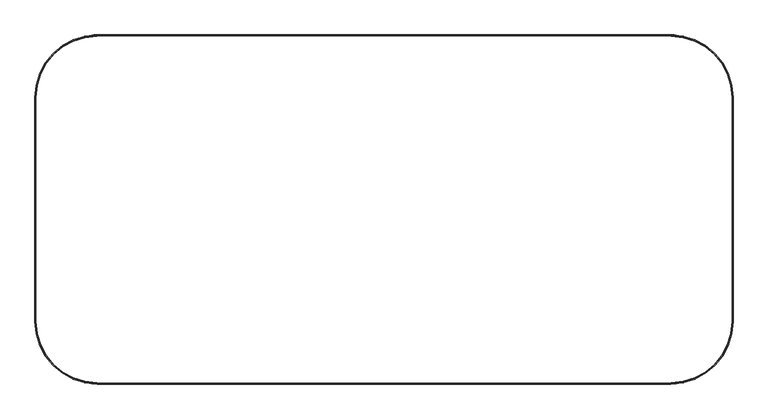
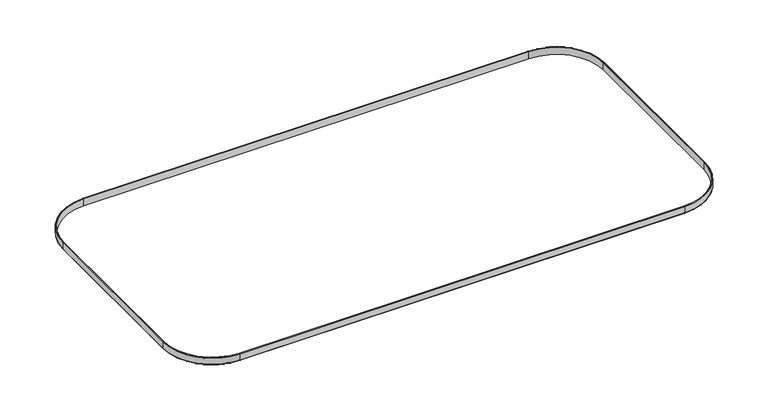
"""IFC4 building model written with IfcOpenShell, lengths in millimetres: furniture geometry."""

from ifc_helpers import new_model, si_unit, point, frame, origin, place, context, project, spatial, polyline, circle_curve, ellipse_curve, trimmed, source, transform, mapped, element, save
from ifc_brep_helpers import plane_surface, cylinder_surface, revolved_surface, advanced_brep


def furniture_3373000e(model_context):
    return source(origin(), model_context, "Body", "AdvancedBrep", [
        advanced_brep(
        [(125.0, -697.0, 721.0), (3.0, -575.0, 721.0), (3.0, -575.0, 740.0), (125.0, -697.0, 740.0), (125.0, -700.0, 722.0), (0.0, -575.0, 722.0), (1.0, -575.0, 721.0), (125.0, -699.0, 721.0), (125.0, -700.0, 739.0), (0.0, -575.0, 739.0), (125.0, -699.0, 740.0), (1.0, -575.0, 740.0), (1275.0, -697.0, 740.0), (1275.0, -697.0, 721.0), (1275.0, -699.0, 721.0), (1275.0, -700.0, 722.0), (1275.0, -700.0, 739.0), (1275.0, -699.0, 740.0), (1397.0, -575.0, 721.0), (1397.0, -575.0, 740.0), (1400.0, -575.0, 722.0), (1399.0, -575.0, 721.0), (1400.0, -575.0, 739.0), (1399.0, -575.0, 740.0), (1397.0, -125.0, 740.0), (1397.0, -125.0, 721.0), (1399.0, -125.0, 721.0), (1400.0, -125.0, 722.0), (1400.0, -125.0, 739.0), (1399.0, -125.0, 740.0), (1275.0, -3.0, 721.0), (1275.0, -3.0, 740.0), (1275.0, 0.0, 722.0), (1275.0, -1.0, 721.0), (1275.0, 0.0, 739.0), (1275.0, -1.0, 740.0), (125.0, -3.0, 740.0), (125.0, -3.0, 721.0), (125.0, -1.0, 721.0), (125.0, 0.0, 722.0), (125.0, 0.0, 739.0), (125.0, -1.0, 740.0), (3.0, -125.0, 721.0), (3.0, -125.0, 740.0), (0.0, -125.0, 722.0), (1.0, -125.0, 721.0), (0.0, -125.0, 739.0), (1.0, -125.0, 740.0)],
        [
            (0, 1, circle_curve(frame((125.0, -575.0, 721.0), z_axis=(0.0, 0.0, -1.0), x_axis=(-1.0, 0.0, 0.0)), 122.0)),
            (1, 2),
            (2, 3, circle_curve(frame((125.0, -575.0, 740.0), z_axis=(0.0, 0.0, 1.0), x_axis=(-1.0, 0.0, 0.0)), 122.0)),
            (3, 0),
            (4, 5, circle_curve(frame((125.0, -575.0, 722.0), z_axis=(0.0, 0.0, -1.0), x_axis=(-1.0, 0.0, 0.0)), 125.0)),
            (5, 6, circle_curve(frame((1.0, -575.0, 722.0), z_axis=(0.0, -1.0, 0.0), x_axis=(1.0, 0.0, 0.0)), 1.0)),
            (6, 7, circle_curve(frame((125.0, -575.0, 721.0), z_axis=(0.0, 0.0, 1.0), x_axis=(-1.0, 0.0, 0.0)), 124.0)),
            (7, 4, circle_curve(frame((125.0, -699.0, 722.0), z_axis=(-1.0, 0.0, 0.0), x_axis=(0.0, 1.0, 0.0)), 1.0)),
            (8, 9, circle_curve(frame((125.0, -575.0, 739.0), z_axis=(0.0, 0.0, -1.0), x_axis=(-1.0, 0.0, 0.0)), 125.0)),
            (9, 5),
            (4, 8),
            (10, 11, circle_curve(frame((125.0, -575.0, 740.0), z_axis=(0.0, 0.0, -1.0), x_axis=(-1.0, 0.0, 0.0)), 124.0)),
            (11, 9, circle_curve(frame((1.0, -575.0, 739.0), z_axis=(0.0, -1.0, 0.0), x_axis=(1.0, 0.0, 0.0)), 1.0)),
            (8, 10, circle_curve(frame((125.0, -699.0, 739.0), z_axis=(-1.0, 0.0, 0.0), x_axis=(0.0, 1.0, 0.0)), 1.0)),
            (3, 12),
            (12, 13),
            (13, 0),
            (7, 14),
            (14, 15, circle_curve(frame((1275.0, -699.0, 722.0), z_axis=(-1.0, 0.0, 0.0), x_axis=(0.0, 1.0, 0.0)), 1.0)),
            (15, 4),
            (15, 16),
            (16, 8),
            (16, 17, circle_curve(frame((1275.0, -699.0, 739.0), z_axis=(-1.0, 0.0, 0.0), x_axis=(0.0, 1.0, 0.0)), 1.0)),
            (17, 10),
            (18, 13, circle_curve(frame((1275.0, -575.0, 721.0), z_axis=(0.0, 0.0, -1.0), x_axis=(0.0, -1.0, 0.0)), 122.0)),
            (12, 19, circle_curve(frame((1275.0, -575.0, 740.0), z_axis=(0.0, 0.0, 1.0), x_axis=(0.0, -1.0, 0.0)), 122.0)),
            (19, 18),
            (20, 15, circle_curve(frame((1275.0, -575.0, 722.0), z_axis=(0.0, 0.0, -1.0), x_axis=(0.0, -1.0, 0.0)), 125.0)),
            (14, 21, circle_curve(frame((1275.0, -575.0, 721.0), z_axis=(0.0, 0.0, 1.0), x_axis=(0.0, -1.0, 0.0)), 124.0)),
            (21, 20, circle_curve(frame((1399.0, -575.0, 722.0), z_axis=(0.0, -1.0, 0.0), x_axis=(-1.0, 0.0, 0.0)), 1.0)),
            (22, 16, circle_curve(frame((1275.0, -575.0, 739.0), z_axis=(0.0, 0.0, -1.0), x_axis=(0.0, -1.0, 0.0)), 125.0)),
            (20, 22),
            (23, 17, circle_curve(frame((1275.0, -575.0, 740.0), z_axis=(0.0, 0.0, -1.0), x_axis=(0.0, -1.0, 0.0)), 124.0)),
            (22, 23, circle_curve(frame((1399.0, -575.0, 739.0), z_axis=(0.0, -1.0, 0.0), x_axis=(-1.0, 0.0, 0.0)), 1.0)),
            (19, 24),
            (24, 25),
            (25, 18),
            (21, 26),
            (26, 27, circle_curve(frame((1399.0, -125.0, 722.0), z_axis=(0.0, -1.0, 0.0), x_axis=(-1.0, 0.0, 0.0)), 1.0)),
            (27, 20),
            (27, 28),
            (28, 22),
            (28, 29, circle_curve(frame((1399.0, -125.0, 739.0), z_axis=(0.0, -1.0, 0.0), x_axis=(-1.0, 0.0, 0.0)), 1.0)),
            (29, 23),
            (30, 25, circle_curve(frame((1275.0, -125.0, 721.0), z_axis=(0.0, 0.0, -1.0), x_axis=(1.0, 0.0, 0.0)), 122.0)),
            (24, 31, circle_curve(frame((1275.0, -125.0, 740.0), z_axis=(0.0, 0.0, 1.0), x_axis=(1.0, 0.0, 0.0)), 122.0)),
            (31, 30),
            (32, 27, circle_curve(frame((1275.0, -125.0, 722.0), z_axis=(0.0, 0.0, -1.0), x_axis=(1.0, 0.0, 0.0)), 125.0)),
            (26, 33, circle_curve(frame((1275.0, -125.0, 721.0), z_axis=(0.0, 0.0, 1.0), x_axis=(1.0, 0.0, 0.0)), 124.0)),
            (33, 32, circle_curve(frame((1275.0, -1.0, 722.0), z_axis=(1.0, 0.0, 0.0), x_axis=(0.0, -1.0, 0.0)), 1.0)),
            (34, 28, circle_curve(frame((1275.0, -125.0, 739.0), z_axis=(0.0, 0.0, -1.0), x_axis=(1.0, 0.0, 0.0)), 125.0)),
            (32, 34),
            (35, 29, circle_curve(frame((1275.0, -125.0, 740.0), z_axis=(0.0, 0.0, -1.0), x_axis=(1.0, 0.0, 0.0)), 124.0)),
            (34, 35, circle_curve(frame((1275.0, -1.0, 739.0), z_axis=(1.0, 0.0, 0.0), x_axis=(0.0, -1.0, 0.0)), 1.0)),
            (31, 36),
            (36, 37),
            (37, 30),
            (33, 38),
            (38, 39, circle_curve(frame((125.0, -1.0, 722.0), z_axis=(1.0, 0.0, 0.0), x_axis=(0.0, -1.0, 0.0)), 1.0)),
            (39, 32),
            (39, 40),
            (40, 34),
            (40, 41, circle_curve(frame((125.0, -1.0, 739.0), z_axis=(1.0, 0.0, 0.0), x_axis=(0.0, -1.0, 0.0)), 1.0)),
            (41, 35),
            (42, 37, circle_curve(frame((125.0, -125.0, 721.0), z_axis=(0.0, 0.0, -1.0), x_axis=(0.0, 1.0, 0.0)), 122.0)),
            (36, 43, circle_curve(frame((125.0, -125.0, 740.0), z_axis=(0.0, 0.0, 1.0), x_axis=(0.0, 1.0, 0.0)), 122.0)),
            (43, 42),
            (44, 39, circle_curve(frame((125.0, -125.0, 722.0), z_axis=(0.0, 0.0, -1.0), x_axis=(0.0, 1.0, 0.0)), 125.0)),
            (38, 45, circle_curve(frame((125.0, -125.0, 721.0), z_axis=(0.0, 0.0, 1.0), x_axis=(0.0, 1.0, 0.0)), 124.0)),
            (45, 44, circle_curve(frame((1.0, -125.0, 722.0), z_axis=(0.0, 1.0, 0.0), x_axis=(1.0, 0.0, 0.0)), 1.0)),
            (46, 40, circle_curve(frame((125.0, -125.0, 739.0), z_axis=(0.0, 0.0, -1.0), x_axis=(0.0, 1.0, 0.0)), 125.0)),
            (44, 46),
            (47, 41, circle_curve(frame((125.0, -125.0, 740.0), z_axis=(0.0, 0.0, -1.0), x_axis=(0.0, 1.0, 0.0)), 124.0)),
            (46, 47, circle_curve(frame((1.0, -125.0, 739.0), z_axis=(0.0, 1.0, 0.0), x_axis=(1.0, 0.0, 0.0)), 1.0)),
            (43, 2),
            (1, 42),
            (6, 45),
            (5, 44),
            (9, 46),
            (11, 47),
        ],
        [
            revolved_surface(polyline([(3.0, -575.0, 740.0), (3.0, -575.0, 721.0)]), (125.0, -575.0, 0.0), (0.0, 0.0, 1.0)),
            revolved_surface(trimmed(ellipse_curve(frame((1.0, -575.0, 722.0), z_axis=(0.0, 1.0, 0.0), x_axis=(1.0, 0.0, 0.0)), 1.0, 1.0), [point((1.0, -575.0, 721.0))], [point((0.0, -575.0, 722.0))], True, "CARTESIAN"), (125.0, -575.0, 0.0), (0.0, 0.0, 1.0)),
            cylinder_surface(frame((125.0, -575.0, 0.0), z_axis=(0.0, 0.0, 1.0), x_axis=(-1.0, 0.0, 0.0)), 125.0),
            revolved_surface(trimmed(ellipse_curve(frame((1.0, -575.0, 739.0), z_axis=(0.0, 1.0, 0.0), x_axis=(1.0, 0.0, 0.0)), 1.0, 1.0), [point((0.0, -575.0, 739.0))], [point((1.0, -575.0, 740.0))], True, "CARTESIAN"), (125.0, -575.0, 0.0), (0.0, 0.0, 1.0)),
            plane_surface(frame((125.0, -697.0, 740.0), z_axis=(0.0, 1.0, 0.0), x_axis=(1.0, 0.0, 0.0))),
            cylinder_surface(frame((125.0, -699.0, 722.0), z_axis=(-1.0, 0.0, 0.0), x_axis=(0.0, 1.0, 0.0)), 1.0),
            plane_surface(frame((125.0, -700.0, 722.0), z_axis=(0.0, -1.0, 0.0), x_axis=(1.0, 0.0, 0.0))),
            cylinder_surface(frame((125.0, -699.0, 739.0), z_axis=(-1.0, 0.0, 0.0), x_axis=(0.0, 1.0, 0.0)), 1.0),
            revolved_surface(polyline([(1275.0, -697.0, 740.0), (1275.0, -697.0, 721.0)]), (1275.0, -575.0, 0.0), (0.0, 0.0, 1.0)),
            revolved_surface(trimmed(ellipse_curve(frame((1275.0, -699.0, 722.0), z_axis=(-1.0, 0.0, 0.0), x_axis=(0.0, 1.0, 0.0)), 1.0, 1.0), [point((1275.0, -699.0, 721.0))], [point((1275.0, -700.0, 722.0))], True, "CARTESIAN"), (1275.0, -575.0, 0.0), (0.0, 0.0, 1.0)),
            cylinder_surface(frame((1275.0, -575.0, 0.0), z_axis=(0.0, 0.0, 1.0), x_axis=(0.0, -1.0, 0.0)), 125.0),
            revolved_surface(trimmed(ellipse_curve(frame((1275.0, -699.0, 739.0), z_axis=(-1.0, 0.0, 0.0), x_axis=(0.0, 1.0, 0.0)), 1.0, 1.0), [point((1275.0, -700.0, 739.0))], [point((1275.0, -699.0, 740.0))], True, "CARTESIAN"), (1275.0, -575.0, 0.0), (0.0, 0.0, 1.0)),
            plane_surface(frame((1397.0, -575.0, 740.0), z_axis=(-1.0, 0.0, 0.0), x_axis=(0.0, 1.0, 0.0))),
            cylinder_surface(frame((1399.0, -575.0, 722.0), z_axis=(0.0, -1.0, 0.0), x_axis=(-1.0, 0.0, 0.0)), 1.0),
            plane_surface(frame((1400.0, -575.0, 722.0), z_axis=(1.0, 0.0, 0.0), x_axis=(0.0, 1.0, 0.0))),
            cylinder_surface(frame((1399.0, -575.0, 739.0), z_axis=(0.0, -1.0, 0.0), x_axis=(-1.0, 0.0, 0.0)), 1.0),
            revolved_surface(polyline([(1397.0, -125.0, 740.0), (1397.0, -125.0, 721.0)]), (1275.0, -125.0, 0.0), (0.0, 0.0, 1.0)),
            revolved_surface(trimmed(ellipse_curve(frame((1399.0, -125.0, 722.0), z_axis=(0.0, -1.0, 0.0), x_axis=(-1.0, 0.0, 0.0)), 1.0, 1.0), [point((1399.0, -125.0, 721.0))], [point((1400.0, -125.0, 722.0))], True, "CARTESIAN"), (1275.0, -125.0, 0.0), (0.0, 0.0, 1.0)),
            cylinder_surface(frame((1275.0, -125.0, 0.0), z_axis=(0.0, 0.0, 1.0), x_axis=(1.0, 0.0, 0.0)), 125.0),
            revolved_surface(trimmed(ellipse_curve(frame((1399.0, -125.0, 739.0), z_axis=(0.0, -1.0, 0.0), x_axis=(-1.0, 0.0, 0.0)), 1.0, 1.0), [point((1400.0, -125.0, 739.0))], [point((1399.0, -125.0, 740.0))], True, "CARTESIAN"), (1275.0, -125.0, 0.0), (0.0, 0.0, 1.0)),
            plane_surface(frame((1275.0, -3.0, 740.0), z_axis=(0.0, -1.0, 0.0), x_axis=(-1.0, 0.0, 0.0))),
            cylinder_surface(frame((1275.0, -1.0, 722.0), z_axis=(1.0, 0.0, 0.0), x_axis=(0.0, -1.0, 0.0)), 1.0),
            plane_surface(frame((1275.0, 0.0, 722.0), z_axis=(0.0, 1.0, 0.0), x_axis=(-1.0, 0.0, 0.0))),
            cylinder_surface(frame((1275.0, -1.0, 739.0), z_axis=(1.0, 0.0, 0.0), x_axis=(0.0, -1.0, 0.0)), 1.0),
            revolved_surface(polyline([(125.0, -3.0, 740.0), (125.0, -3.0, 721.0)]), (125.0, -125.0, 0.0), (0.0, 0.0, 1.0)),
            revolved_surface(trimmed(ellipse_curve(frame((125.0, -1.0, 722.0), z_axis=(1.0, 0.0, 0.0), x_axis=(0.0, -1.0, 0.0)), 1.0, 1.0), [point((125.0, -1.0, 721.0))], [point((125.0, 0.0, 722.0))], True, "CARTESIAN"), (125.0, -125.0, 0.0), (0.0, 0.0, 1.0)),
            cylinder_surface(frame((125.0, -125.0, 0.0), z_axis=(0.0, 0.0, 1.0), x_axis=(0.0, 1.0, 0.0)), 125.0),
            revolved_surface(trimmed(ellipse_curve(frame((125.0, -1.0, 739.0), z_axis=(1.0, 0.0, 0.0), x_axis=(0.0, -1.0, 0.0)), 1.0, 1.0), [point((125.0, 0.0, 739.0))], [point((125.0, -1.0, 740.0))], True, "CARTESIAN"), (125.0, -125.0, 0.0), (0.0, 0.0, 1.0)),
            plane_surface(frame((3.0, -125.0, 740.0), z_axis=(1.0, 0.0, 0.0), x_axis=(0.0, -1.0, 0.0))),
            plane_surface(frame((3.0, -125.0, 721.0), z_axis=(0.0, 0.0, -1.0), x_axis=(0.0, -1.0, 0.0))),
            cylinder_surface(frame((1.0, -125.0, 722.0), z_axis=(0.0, 1.0, 0.0), x_axis=(1.0, 0.0, 0.0)), 1.0),
            plane_surface(frame((0.0, -125.0, 722.0), z_axis=(-1.0, 0.0, 0.0), x_axis=(0.0, -1.0, 0.0))),
            cylinder_surface(frame((1.0, -125.0, 739.0), z_axis=(0.0, 1.0, 0.0), x_axis=(1.0, 0.0, 0.0)), 1.0),
            plane_surface(frame((1.0, -125.0, 740.0), z_axis=(0.0, 0.0, 1.0), x_axis=(0.0, -1.0, 0.0))),
        ],
        [
            (0, [[1, 2, 3, 4]]),
            (1, [[5, 6, 7, 8]]),
            (2, [[9, 10, -5, 11]]),
            (3, [[12, 13, -9, 14]]),
            (4, [[-4, 15, 16, 17]]),
            (5, [[-8, 18, 19, 20]]),
            (6, [[-11, -20, 21, 22]]),
            (7, [[-14, -22, 23, 24]]),
            (8, [[25, -16, 26, 27]]),
            (9, [[28, -19, 29, 30]]),
            (10, [[31, -21, -28, 32]]),
            (11, [[33, -23, -31, 34]]),
            (12, [[-27, 35, 36, 37]]),
            (13, [[-30, 38, 39, 40]]),
            (14, [[-32, -40, 41, 42]]),
            (15, [[-34, -42, 43, 44]]),
            (16, [[45, -36, 46, 47]]),
            (17, [[48, -39, 49, 50]]),
            (18, [[51, -41, -48, 52]]),
            (19, [[53, -43, -51, 54]]),
            (20, [[-47, 55, 56, 57]]),
            (21, [[-50, 58, 59, 60]]),
            (22, [[-52, -60, 61, 62]]),
            (23, [[-54, -62, 63, 64]]),
            (24, [[65, -56, 66, 67]]),
            (25, [[68, -59, 69, 70]]),
            (26, [[71, -61, -68, 72]]),
            (27, [[73, -63, -71, 74]]),
            (28, [[-67, 75, -2, 76]]),
            (29, [[77, -69, -58, -49, -38, -29, -18, -7], [-57, -65, -76, -1, -17, -25, -37, -45]]),
            (30, [[-70, -77, -6, 78]]),
            (31, [[-72, -78, -10, 79]]),
            (32, [[-74, -79, -13, 80]]),
            (33, [[-64, -73, -80, -12, -24, -33, -44, -53], [-75, -66, -55, -46, -35, -26, -15, -3]]),
        ],
    ),
    ])


if __name__ == "__main__":
    model = new_model("IFC4")
    model_context = context("Model", 3, world=origin())
    ifc_project = project(units=[si_unit("LENGTHUNIT", "METRE", prefix="MILLI")], contexts=[model_context])
    site = spatial("IfcSite", under=ifc_project)
    building = spatial("IfcBuilding", under=site)
    placement = place(None, origin())
    furniture_shape = furniture_3373000e(model_context)
    element("IfcFurniture", 1, at=placement, inside=building, context=model_context, shape_type="MappedRepresentation", body=[
        mapped(furniture_shape, transform((0.0, 0.0, 0.0), x_axis=(1.0, 0.0, 0.0), y_axis=(0.0, 1.0, 0.0), z_axis=(0.0, 0.0, 1.0))),
    ])
    save(model, "model.ifc")
